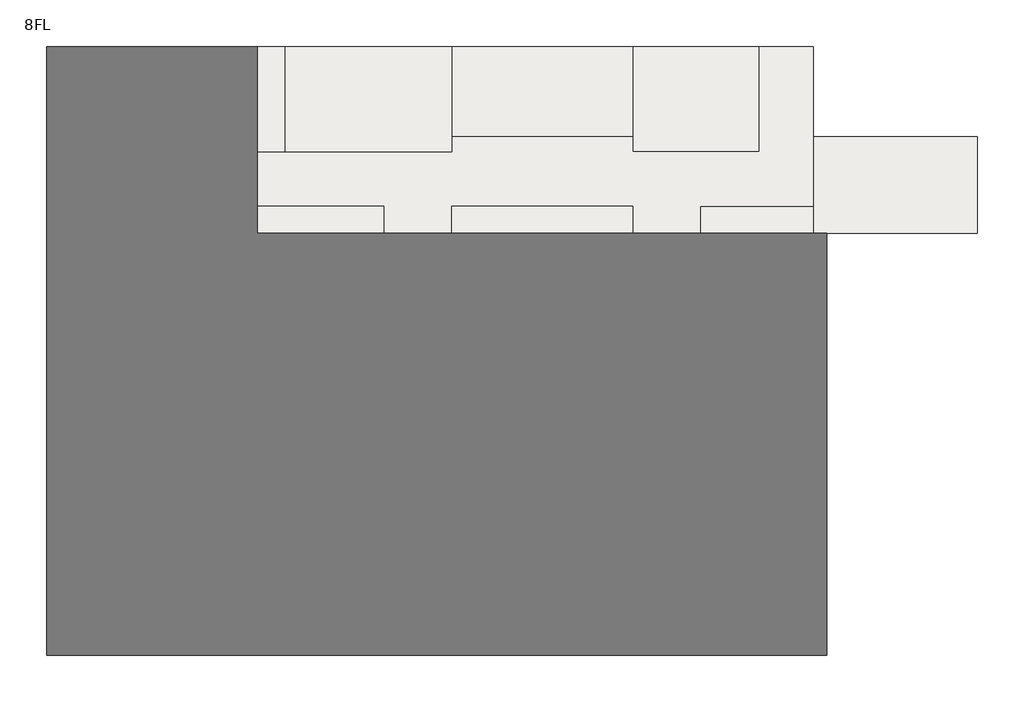
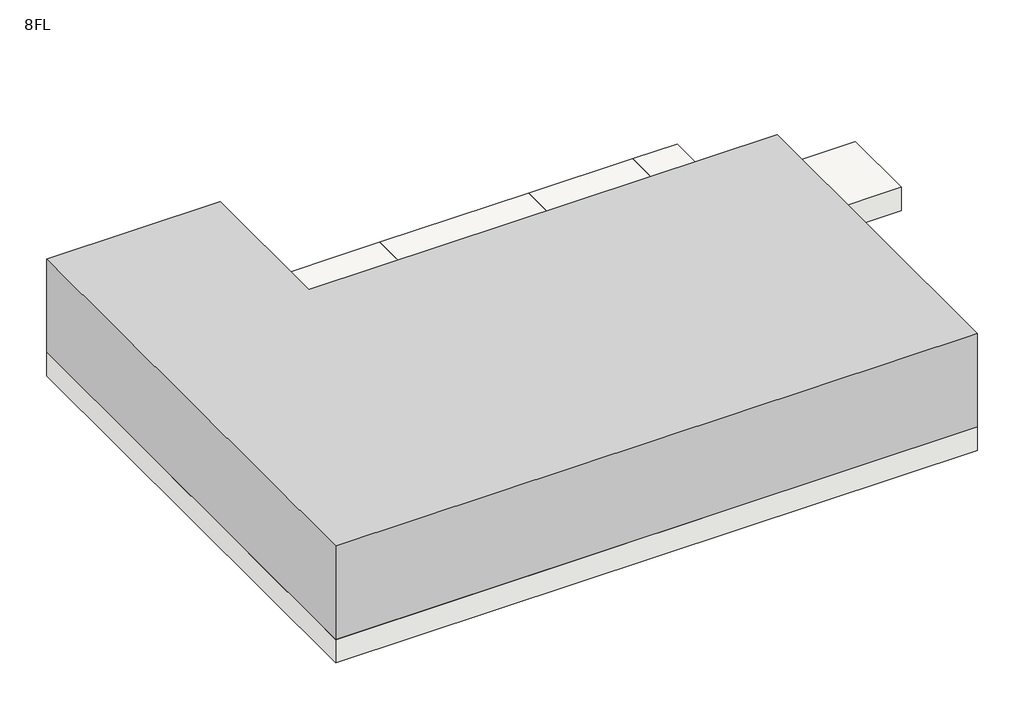
# One storey: 10 slabs, 1 proxy.
"""IFC4 building model written with IfcOpenShell, lengths in millimetres."""

from ifc_helpers import new_model, si_unit, frame, origin, place, context, project, spatial, polyline, outline, extrude, element, save

model = new_model("IFC4")

# Units and contexts
model_context = context("Model", 3, world=origin())
ifc_project = project(units=[si_unit("LENGTHUNIT", "METRE", prefix="MILLI")], contexts=[model_context])

# Site, building, storey
site = spatial("IfcSite", under=ifc_project)
building = spatial("IfcBuilding", under=site)
storey = spatial("IfcBuildingStorey", under=building, Name="8FL", Elevation=28600.0)

# Proxy
placement = place(None, origin())
element("IfcBuildingElementProxy", 1, Name="Mass", at=placement, inside=storey, context=model_context, shape_type="SweptSolid", body=[
    extrude(outline(polyline([(-21845.9784025, 16649.6868987), (-21845.9784025, 10449.6868987), (-2945.9784025, 10449.6868987), (-2945.9784025, -3550.3131013), (-28845.9784025, -3550.3131013), (-28845.9784025, 16649.6868987), (-21845.9784025, 16649.6868987)])), frame((0.0, 0.0, 28600.0), z_axis=(0.0, 0.0, 1.0), x_axis=(1.0, 0.0, 0.0)), (0.0, 0.0, 1.0), 4000.0),
])

# Slabs
element("IfcSlab", 2, at=placement, inside=storey, context=model_context, shape_type="SweptSolid", body=[
    extrude(outline(polyline([(2054.0215975, 13649.6868987), (2054.0215975, 10449.6868987), (-3395.9784025, 10449.6868987), (-3395.9784025, 13649.6868987), (2054.0215975, 13649.6868987)])), frame((0.0, 0.0, 27600.0), z_axis=(0.0, 0.0, 1.0), x_axis=(1.0, 0.0, 0.0)), (0.0, 0.0, 1.0), 1000.0),
])
element("IfcSlab", 3, at=placement, inside=storey, context=model_context, shape_type="SweptSolid", body=[
    extrude(outline(polyline([(-3395.9784025, 11349.6868987), (-3395.9784025, 10449.6868987), (-7145.9784025, 10449.6868987), (-7145.9784025, 11349.6868987), (-3395.9784025, 11349.6868987)])), frame((0.0, 0.0, 27600.0), z_axis=(0.0, 0.0, 1.0), x_axis=(1.0, 0.0, 0.0)), (0.0, 0.0, 1.0), 1000.0),
])
element("IfcSlab", 4, at=placement, inside=storey, context=model_context, shape_type="SweptSolid", body=[
    extrude(outline(polyline([(-9395.9784025, 11349.6868987), (-9395.9784025, 10449.6868987), (-15395.9784025, 10449.6868987), (-15395.9784025, 11349.6868987), (-9395.9784025, 11349.6868987)])), frame((0.0, 0.0, 27600.0), z_axis=(0.0, 0.0, 1.0), x_axis=(1.0, 0.0, 0.0)), (0.0, 0.0, 1.0), 1000.0),
])
element("IfcSlab", 5, at=placement, inside=storey, context=model_context, shape_type="SweptSolid", body=[
    extrude(outline(polyline([(-17645.9784025, 11349.6868987), (-17645.9784025, 10449.6868987), (-21845.9784025, 10449.6868987), (-21845.9784025, 11349.6868987), (-17645.9784025, 11349.6868987)])), frame((0.0, 0.0, 27600.0), z_axis=(0.0, 0.0, 1.0), x_axis=(1.0, 0.0, 0.0)), (0.0, 0.0, 1.0), 1000.0),
])
element("IfcSlab", 6, at=placement, inside=storey, context=model_context, shape_type="SweptSolid", body=[
    extrude(outline(polyline([(-20945.9784025, 16649.6868987), (-20945.9784025, 13149.6868987), (-21845.9784025, 13149.6868987), (-21845.9784025, 16649.6868987), (-20945.9784025, 16649.6868987)])), frame((0.0, 0.0, 27600.0), z_axis=(0.0, 0.0, 1.0), x_axis=(1.0, 0.0, 0.0)), (0.0, 0.0, 1.0), 1000.0),
])
element("IfcSlab", 7, at=placement, inside=storey, context=model_context, shape_type="SweptSolid", body=[
    extrude(outline(polyline([(-21845.9784025, 16649.6868987), (-21845.9784025, 10449.6868987), (-2945.9784025, 10449.6868987), (-2945.9784025, -3550.3131013), (-28845.9784025, -3550.3131013), (-28845.9784025, 16649.6868987), (-21845.9784025, 16649.6868987)])), frame((0.0, 0.0, 27600.0), z_axis=(0.0, 0.0, 1.0), x_axis=(1.0, 0.0, 0.0)), (0.0, 0.0, 1.0), 1000.0),
])
element("IfcSlab", 8, at=placement, inside=storey, context=model_context, shape_type="SweptSolid", body=[
    extrude(outline(polyline([(-9395.9784025, 16649.6868987), (-9395.9784025, 13649.6868987), (-15395.9784025, 13649.6868987), (-15395.9784025, 16649.6868987), (-9395.9784025, 16649.6868987)])), frame((0.0, 0.0, 27600.0), z_axis=(0.0, 0.0, 1.0), x_axis=(1.0, 0.0, 0.0)), (0.0, 0.0, 1.0), 1000.0),
])
element("IfcSlab", 9, at=placement, inside=storey, context=model_context, shape_type="SweptSolid", body=[
    extrude(outline(polyline([(-5195.9784025, 16649.6868987), (-5195.9784025, 13149.6868987), (-9395.9784025, 13149.6868987), (-9395.9784025, 16649.6868987), (-5195.9784025, 16649.6868987)])), frame((0.0, 0.0, 27600.0), z_axis=(0.0, 0.0, 1.0), x_axis=(1.0, 0.0, 0.0)), (0.0, 0.0, 1.0), 1000.0),
])
element("IfcSlab", 10, at=placement, inside=storey, context=model_context, shape_type="SweptSolid", body=[
    extrude(outline(polyline([(-15395.9784025, 16649.6868987), (-15395.9784025, 13149.6868987), (-20945.9784025, 13149.6868987), (-20945.9784025, 16649.6868987), (-15395.9784025, 16649.6868987)])), frame((0.0, 0.0, 27600.0), z_axis=(0.0, 0.0, 1.0), x_axis=(1.0, 0.0, 0.0)), (0.0, 0.0, 1.0), 1000.0),
])
element("IfcSlab", 11, at=placement, inside=storey, context=model_context, shape_type="SweptSolid", body=[
    extrude(outline(polyline([(-15395.9784025, 13149.6868987), (-15395.9784025, 13649.6868987), (-9395.9784025, 13649.6868987), (-9395.9784025, 13149.6868987), (-5195.9784025, 13149.6868987), (-5195.9784025, 16649.6868987), (-3395.9784025, 16649.6868987), (-3395.9784025, 11349.6868987), (-7145.9784025, 11349.6868987), (-7145.9784025, 10449.6868987), (-9395.9784025, 10449.6868987), (-9395.9784025, 11349.6868987), (-15395.9784025, 11349.6868987), (-15395.9784025, 10449.6868987), (-17645.9784025, 10449.6868987), (-17645.9784025, 11349.6868987), (-21845.9784025, 11349.6868987), (-21845.9784025, 13149.6868987), (-15395.9784025, 13149.6868987)])), frame((0.0, 0.0, 27600.0), z_axis=(0.0, 0.0, 1.0), x_axis=(1.0, 0.0, 0.0)), (0.0, 0.0, 1.0), 1000.0),
])

save(model, "model.ifc")
